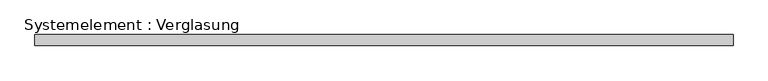
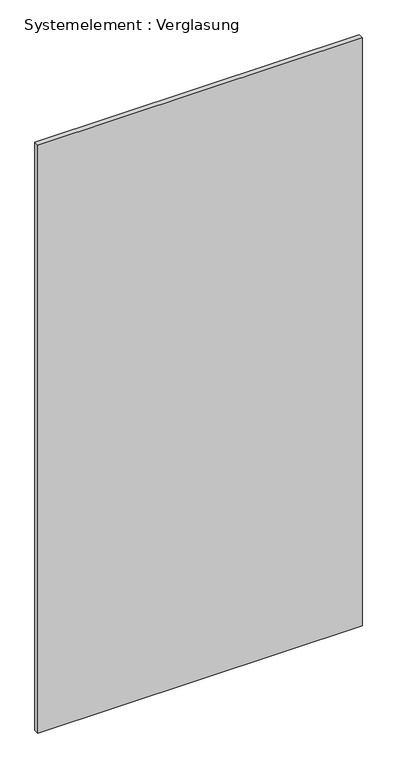
"""IFC4 building model written with IfcOpenShell, lengths in millimetres: plate geometry, Systemelement : Verglasung."""

import ifcopenshell
import ifcopenshell.guid

model = None  # the IFC model being written
_history = None  # IfcOwnerHistory: only IFC2X3 demands one
_inside = {}  # id of a spatial element -> (the spatial element, [elements in it])
_under = {}  # id of a project, library or spatial element -> (it, [spatial elements below it])
_declared = {}  # id of a project -> (the project, [libraries it declares])
_typed = {}  # id of a type object -> (the type object, [elements of that type])
_made_of = {}  # id of a material, layer set ... -> (it, [elements and type objects made of it])


def new_model(schema):
    """Start an empty IFC model of exactly this schema.

    Asked for "IFC4X3", IfcOpenShell would pick the latest addendum, in which some entities
    have other attributes; the version numbers below select the first issue.
    IFC2X3 requires an IfcOwnerHistory on every rooted entity: one is made here for all.
    """
    global model, _history
    if schema == "IFC4X3":
        model = ifcopenshell.file(schema_version=(4, 3, 0, 0))
    else:
        model = ifcopenshell.file(schema=schema)
    _inside.clear()
    _under.clear()
    _declared.clear()
    _typed.clear()
    _made_of.clear()
    _history = None
    if model.schema == "IFC2X3":
        org = make("IfcOrganization", Name="unknown")
        user = make(
            "IfcPersonAndOrganization",
            ThePerson=make("IfcPerson", FamilyName="unknown"),
            TheOrganization=org,
        )
        app = make(
            "IfcApplication",
            ApplicationDeveloper=org,
            Version="unknown",
            ApplicationFullName="unknown",
            ApplicationIdentifier="unknown",
        )
        _history = make(
            "IfcOwnerHistory",
            OwningUser=user,
            OwningApplication=app,
            ChangeAction="ADDED",
            CreationDate=0,
        )
    return model


def make(cls, **values):
    """One entity of the class cls with the attributes given. An attribute that is None is left unset."""
    return model.create_entity(
        cls, **{name: value for name, value in values.items() if value is not None}
    )


def rooted(cls, **values):
    """An entity with a GlobalId (a new one), such as an element, a storey or a relation."""
    return make(cls, GlobalId=ifcopenshell.guid.new(), OwnerHistory=_history, **values)


def si_unit(unit_type, name, prefix=None):
    """IfcSIUnit, for example si_unit("LENGTHUNIT", "METRE", prefix="MILLI")."""
    return make("IfcSIUnit", UnitType=unit_type, Prefix=prefix, Name=name)


def assignment(units):
    """IfcUnitAssignment: the units of a project."""
    return None if units is None else make("IfcUnitAssignment", Units=units)


def point(xyz):
    """IfcCartesianPoint."""
    return None if xyz is None else make("IfcCartesianPoint", Coordinates=xyz)


def direction(xyz):
    """IfcDirection."""
    return None if xyz is None else make("IfcDirection", DirectionRatios=xyz)


def frame(location, z_axis=None, x_axis=None):
    """IfcAxis2Placement3D, a coordinate frame: its origin and axes. An axis left out is left unset."""
    return make(
        "IfcAxis2Placement3D",
        Location=point(location),
        Axis=direction(z_axis),
        RefDirection=direction(x_axis),
    )


def origin():
    """The frame at (0, 0, 0) with its axes left unset."""
    return frame((0.0, 0.0, 0.0))


def origin_with_axes():
    """The frame at (0, 0, 0) with the z axis (0, 0, 1) and the x axis (1, 0, 0) written out."""
    return frame((0.0, 0.0, 0.0), z_axis=(0.0, 0.0, 1.0), x_axis=(1.0, 0.0, 0.0))


def place(relative_to, where):
    """IfcLocalPlacement: puts the frame where relative to a parent placement (None: the world)."""
    return make(
        "IfcLocalPlacement", PlacementRelTo=relative_to, RelativePlacement=where
    )


def context(
    kind, dimensions, precision=None, world=None, true_north=None, identifier=None
):
    """IfcGeometricRepresentationContext, for example the 3D "Model" context."""
    return make(
        "IfcGeometricRepresentationContext",
        ContextIdentifier=identifier,
        ContextType=kind,
        CoordinateSpaceDimension=dimensions,
        Precision=precision,
        WorldCoordinateSystem=world,
        TrueNorth=true_north,
    )


def project(units=None, contexts=None):
    """IfcProject with its units and contexts."""
    return rooted(
        "IfcProject",
        Name="project",
        RepresentationContexts=contexts,
        UnitsInContext=assignment(units),
    )


def spatial(cls, under=None, at=None, **own):
    """A site, building, storey or space (cls), placed at a placement, below another one or the project."""
    s = rooted(cls, ObjectPlacement=at, **own)
    if under is not None:
        _under.setdefault(under.id(), (under, []))[1].append(s)
    return s


def polyline(points):
    """IfcPolyline through the points."""
    return make("IfcPolyline", Points=[point(p) for p in points])


def outline(outer, holes=None, kind="AREA"):
    """IfcArbitraryClosedProfileDef: a profile drawn as a closed curve; with holes, ...WithVoids."""
    if holes is None:
        return make("IfcArbitraryClosedProfileDef", ProfileType=kind, OuterCurve=outer)
    return make(
        "IfcArbitraryProfileDefWithVoids",
        ProfileType=kind,
        OuterCurve=outer,
        InnerCurves=holes,
    )


def extrude(swept, where, along, depth):
    """IfcExtrudedAreaSolid: the profile swept, set in the frame where, extruded along a direction by depth."""
    return make(
        "IfcExtrudedAreaSolid",
        SweptArea=swept,
        Position=where,
        ExtrudedDirection=direction(along),
        Depth=depth,
    )


def shape(context_of_items, identifier, shape_type, items):
    """IfcShapeRepresentation: the items that make up one representation, for example the "Body"."""
    return make(
        "IfcShapeRepresentation",
        ContextOfItems=context_of_items,
        RepresentationIdentifier=identifier,
        RepresentationType=shape_type,
        Items=items,
    )


def source(mapping_origin, context_of_items, identifier, shape_type, items):
    """IfcRepresentationMap: a shape defined once, which mapped items show again and again."""
    return make(
        "IfcRepresentationMap",
        MappingOrigin=mapping_origin,
        MappedRepresentation=shape(context_of_items, identifier, shape_type, items),
    )


def transform(
    local_origin,
    x_axis=None,
    y_axis=None,
    z_axis=None,
    scale=None,
    scale2=None,
    scale3=None,
    uniform=True,
):
    """IfcCartesianTransformationOperator3D, or its non-uniform kind. x_axis, y_axis, z_axis: its Axis1, 2, 3."""
    if uniform:
        return make(
            "IfcCartesianTransformationOperator3D",
            Axis1=direction(x_axis),
            Axis2=direction(y_axis),
            LocalOrigin=point(local_origin),
            Scale=scale,
            Axis3=direction(z_axis),
        )
    return make(
        "IfcCartesianTransformationOperator3DnonUniform",
        Axis1=direction(x_axis),
        Axis2=direction(y_axis),
        LocalOrigin=point(local_origin),
        Scale=scale,
        Axis3=direction(z_axis),
        Scale2=scale2,
        Scale3=scale3,
    )


def mapped(mapping_source, mapping_target):
    """IfcMappedItem: shows the shape of a source again, moved by a transform."""
    return make(
        "IfcMappedItem", MappingSource=mapping_source, MappingTarget=mapping_target
    )


def made_of(thing, what):
    """Note that an element or type object is made of a material, layer set ...; save() writes the relation."""
    if what is not None:
        _made_of.setdefault(what.id(), (what, []))[1].append(thing)
    return thing


def element(
    cls,
    number,
    at=None,
    inside=None,
    cuts=None,
    type_object=None,
    material=None,
    context=None,
    identifier="Body",
    shape_type=None,
    held_by="IfcProductDefinitionShape",
    body=None,
    shapes=None,
    **own,
):
    """One element of the class cls, such as IfcWall. Its Tag is "e" and its number.

    at: its placement. inside: the storey or other place that contains it. cuts: it is an
    opening in that element (IfcRelVoidsElement). A single representation is given by context,
    identifier, shape_type and body (its items); several are given by shapes. held_by: the class
    of the entity that holds the representations. save() writes the other relations.
    """
    e = rooted(cls, Tag="e%d" % number, ObjectPlacement=at, **own)
    if body is not None:
        shapes = [shape(context, identifier, shape_type, body)]
    if shapes is not None:
        e.Representation = make(held_by, Representations=shapes)
    if inside is not None:
        _inside.setdefault(inside.id(), (inside, []))[1].append(e)
    if cuts is not None:
        rooted(
            "IfcRelVoidsElement", RelatingBuildingElement=cuts, RelatedOpeningElement=e
        )
    if type_object is not None:
        _typed.setdefault(type_object.id(), (type_object, []))[1].append(e)
    return made_of(e, material)


def aggregate(whole, parts):
    """IfcRelAggregates: a whole, such as a stair, and the parts it consists of."""
    return rooted("IfcRelAggregates", RelatingObject=whole, RelatedObjects=parts)


def save(model, path):
    """Write the relations noted so far, then the file.

    IfcRelAggregates (storeys below a building ...), IfcRelContainedInSpatialStructure (elements
    in a storey), IfcRelDefinesByType, IfcRelAssociatesMaterial and IfcRelDeclares: one each for
    every whole, place, type object, material and project.
    """
    for whole, parts in _under.values():
        aggregate(whole, parts)
    for where, things in _inside.values():
        rooted(
            "IfcRelContainedInSpatialStructure",
            RelatedElements=things,
            RelatingStructure=where,
        )
    for kind, things in _typed.values():
        rooted("IfcRelDefinesByType", RelatedObjects=things, RelatingType=kind)
    for what, things in _made_of.values():
        rooted("IfcRelAssociatesMaterial", RelatedObjects=things, RelatingMaterial=what)
    for by, libraries in _declared.values():
        rooted("IfcRelDeclares", RelatingContext=by, RelatedDefinitions=libraries)
    model.write(path)


def systemelement_verglasung_04df76c5(model_context):
    return source(origin(), model_context, "Body", "SweptSolid", [
        extrude(outline(polyline([(950.7094797, -15.0), (-950.7094797, -15.0), (-950.7094797, 15.0), (950.7094797, 15.0), (950.7094797, -15.0)])), origin_with_axes(), (0.0, 0.0, 1.0), 3645.0),
    ])


if __name__ == "__main__":
    model = new_model("IFC4")
    model_context = context("Model", 3, world=origin())
    ifc_project = project(units=[si_unit("LENGTHUNIT", "METRE", prefix="MILLI")], contexts=[model_context])
    site = spatial("IfcSite", under=ifc_project)
    building = spatial("IfcBuilding", under=site)
    placement = place(None, origin())
    systemelement_verglasung_shape = systemelement_verglasung_04df76c5(model_context)
    element("IfcPlate", 1, ObjectType="Systemelement : Verglasung", at=placement, inside=building, context=model_context, shape_type="MappedRepresentation", body=[
        mapped(systemelement_verglasung_shape, transform((0.0, 0.0, 0.0), x_axis=(1.0, 0.0, 0.0), y_axis=(0.0, 1.0, 0.0), z_axis=(0.0, 0.0, 1.0))),
    ])
    save(model, "model.ifc")
